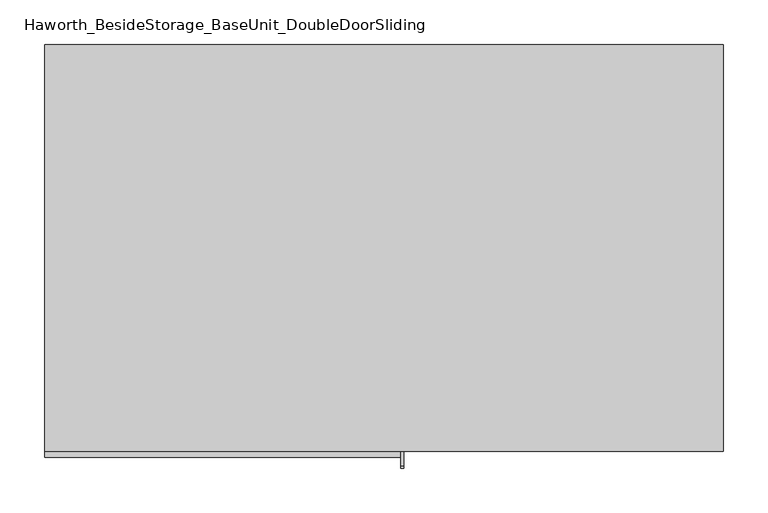
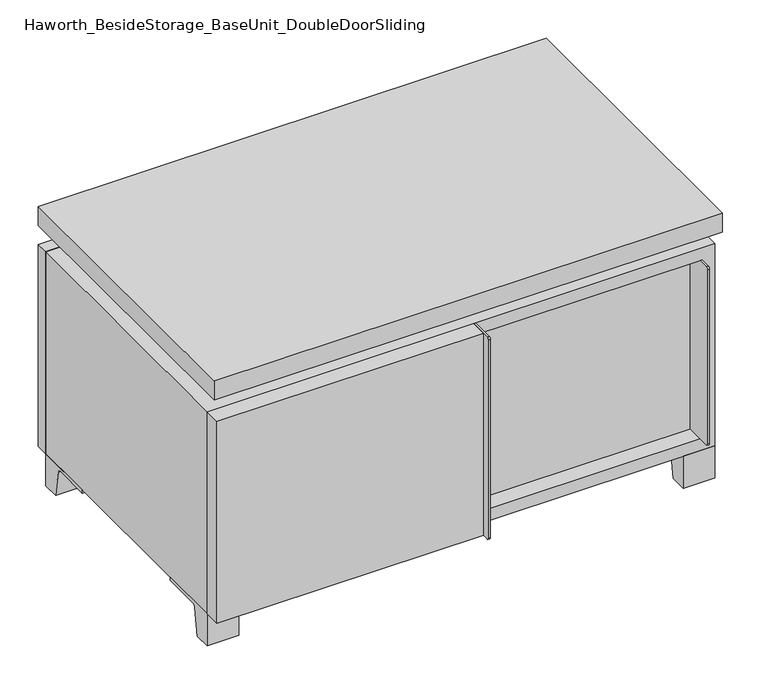
"""IFC4 building model written with IfcOpenShell, lengths in millimetres: furniture geometry, Haworth_BesideStorage_BaseUnit_DoubleDoorSliding."""

from ifc_helpers import new_model, si_unit, point, frame, frame_2d, origin, place, context, project, spatial, polyline, circle_curve, trimmed, segment, composite_curve, outline, extrude, faceted_brep, source, transform, mapped, element, save


def haworth_besidestorage_baseunit_doubledoorsliding_bcb24d63(model_context):
    return source(origin(), model_context, "Body", "SolidModel", [
        extrude(outline(polyline([(9.5319453, 241.3), (361.9569453, 241.3), (361.9569453, -92.075), (9.5319453, -92.075), (9.5319453, 241.3)])), frame((0.0, 0.0, 201.6125), z_axis=(0.0, 0.0, 1.0), x_axis=(1.0, 0.0, 0.0)), (0.0, 0.0, 1.0), 19.05),
        extrude(outline(polyline([(-9.5041641, 241.3), (-9.5041641, -92.075), (-361.9291641, -92.075), (-361.9291641, 241.3), (-9.5041641, 241.3)])), frame((0.0, 0.0, 201.6125), z_axis=(0.0, 0.0, 1.0), x_axis=(1.0, 0.0, 0.0)), (0.0, 0.0, 1.0), 19.05),
        extrude(outline(composite_curve([segment(polyline([(-95.25, 352.425), (-95.25, 69.85), (-161.925, 69.85)]), True, "CONTINUOUS"), segment(trimmed(circle_curve(frame_2d((-161.925, 73.025)), 3.175), [point((-161.925, 69.85))], [point((-165.1, 73.025))], False, "CARTESIAN"), True, "CONTINUOUS"), segment(polyline([(-165.1, 73.025), (-165.1, 349.25)]), True, "CONTINUOUS"), segment(trimmed(circle_curve(frame_2d((-161.925, 349.25)), 3.175), [point((-165.1, 349.25))], [point((-161.925, 352.425))], False, "CARTESIAN"), True, "CONTINUOUS"), segment(polyline([(-161.925, 352.425), (-95.25, 352.425)]), True, "CONTINUOUS")], self_intersect=False)), frame((358.7819453, 0.0, 0.0), z_axis=(1.0, 0.0, 0.0), x_axis=(0.0, 1.0, 0.0)), (0.0, 0.0, 1.0), 3.175),
        extrude(outline(polyline([(15.8819453, -95.25), (358.7819453, -95.25), (358.7819453, -120.65), (15.8819453, -120.65), (15.8819453, -95.25)])), frame((0.0, 0.0, 69.85), z_axis=(0.0, 0.0, 1.0), x_axis=(1.0, 0.0, 0.0)), (0.0, 0.0, 1.0), 282.575),
        extrude(outline(polyline([(381.0138906, 292.1), (381.0138906, -165.1), (-380.9861094, -165.1), (-380.9861094, 292.1), (381.0138906, 292.1)])), frame((0.0, 0.0, 401.6375), z_axis=(0.0, 0.0, 1.0), x_axis=(1.0, 0.0, 0.0)), (0.0, 0.0, 1.0), 30.1625),
        extrude(outline(composite_curve([segment(polyline([(-146.05, 371.475), (-146.05, 50.8), (-180.975, 50.8)]), True, "CONTINUOUS"), segment(trimmed(circle_curve(frame_2d((-180.975, 53.975)), 3.175), [point((-180.975, 50.8))], [point((-184.15, 53.975))], False, "CARTESIAN"), True, "CONTINUOUS"), segment(polyline([(-184.15, 53.975), (-184.15, 368.3)]), True, "CONTINUOUS"), segment(trimmed(circle_curve(frame_2d((-180.975, 368.3)), 3.175), [point((-184.15, 368.3))], [point((-180.975, 371.475))], False, "CARTESIAN"), True, "CONTINUOUS"), segment(polyline([(-180.975, 371.475), (-146.05, 371.475)]), True, "CONTINUOUS")], self_intersect=False)), frame((19.0638906, 0.0, 0.0), z_axis=(1.0, 0.0, 0.0), x_axis=(0.0, 1.0, 0.0)), (0.0, 0.0, 1.0), 3.175),
        extrude(outline(polyline([(-380.9861094, -146.05), (19.0638906, -146.05), (19.0638906, -171.45), (-380.9861094, -171.45), (-380.9861094, -146.05)])), frame((0.0, 0.0, 50.8), z_axis=(0.0, 0.0, 1.0), x_axis=(1.0, 0.0, 0.0)), (0.0, 0.0, 1.0), 320.675),
        extrude(outline(composite_curve([segment(polyline([(-120.6500136, 0.0), (-146.05, 0.0), (-146.05, 50.8), (-50.8, 50.8), (-50.8, 46.0213321), (-107.6005345, 46.0213321)]), True, "CONTINUOUS"), segment(trimmed(circle_curve(frame_2d((-107.6005345, 39.6713321)), 6.35), [point((-107.6005345, 46.0213321))], [point((-113.8641359, 40.7152656))], True, "CARTESIAN"), True, "CONTINUOUS"), segment(polyline([(-113.8641359, 40.7152656), (-120.6500136, 0.0)]), True, "CONTINUOUS")], self_intersect=False)), frame((333.3888906, 0.0, 0.0), z_axis=(1.0, 0.0, 0.0), x_axis=(0.0, 1.0, 0.0)), (0.0, 0.0, 1.0), 47.625),
        extrude(outline(composite_curve([segment(polyline([(247.6500136, 0.0), (240.8641359, 40.7152656)]), True, "CONTINUOUS"), segment(trimmed(circle_curve(frame_2d((234.6005345, 39.6713321)), 6.35), [point((240.8641359, 40.7152656))], [point((234.6005345, 46.0213321))], True, "CARTESIAN"), True, "CONTINUOUS"), segment(polyline([(234.6005345, 46.0213321), (177.8, 46.0213321), (177.8, 50.8), (273.05, 50.8), (273.05, 0.0), (247.6500136, 0.0)]), True, "CONTINUOUS")], self_intersect=False)), frame((333.3888906, 0.0, 0.0), z_axis=(1.0, 0.0, 0.0), x_axis=(0.0, 1.0, 0.0)), (0.0, 0.0, 1.0), 47.625),
        extrude(outline(composite_curve([segment(polyline([(-120.6500136, 0.0), (-146.05, 0.0), (-146.05, 50.8), (-50.8, 50.8), (-50.8, 46.0213321), (-107.6005345, 46.0213321)]), True, "CONTINUOUS"), segment(trimmed(circle_curve(frame_2d((-107.6005345, 39.6713321)), 6.35), [point((-107.6005345, 46.0213321))], [point((-113.8641359, 40.7152656))], True, "CARTESIAN"), True, "CONTINUOUS"), segment(polyline([(-113.8641359, 40.7152656), (-120.6500136, 0.0)]), True, "CONTINUOUS")], self_intersect=False)), frame((-380.9861094, 0.0, 0.0), z_axis=(1.0, 0.0, 0.0), x_axis=(0.0, 1.0, 0.0)), (0.0, 0.0, 1.0), 47.625),
        extrude(outline(composite_curve([segment(polyline([(247.6500136, 0.0), (240.8641359, 40.7152656)]), True, "CONTINUOUS"), segment(trimmed(circle_curve(frame_2d((234.6005345, 39.6713321)), 6.35), [point((240.8641359, 40.7152656))], [point((234.6005345, 46.0213321))], True, "CARTESIAN"), True, "CONTINUOUS"), segment(polyline([(234.6005345, 46.0213321), (177.8, 46.0213321), (177.8, 50.8), (273.05, 50.8), (273.05, 0.0), (247.6500136, 0.0)]), True, "CONTINUOUS")], self_intersect=False)), frame((-380.9861094, 0.0, 0.0), z_axis=(1.0, 0.0, 0.0), x_axis=(0.0, 1.0, 0.0)), (0.0, 0.0, 1.0), 47.625),
        faceted_brep([(7.9513906, -120.65, 401.6375), (7.9513906, -120.65, 371.475), (7.9513906, 53.975, 371.475), (7.9513906, 53.975, 401.6375), (7.9513906, 247.65, 371.475), (7.9513906, 247.65, 401.6375), (7.9513906, 73.025, 401.6375), (7.9513906, 73.025, 371.475), (-7.9236094, 247.65, 401.6375), (-7.9236094, 247.65, 371.475), (-7.9236094, 73.025, 371.475), (-7.9236094, 73.025, 401.6375), (-7.9236094, -120.65, 371.475), (-7.9236094, -120.65, 401.6375), (-7.9236094, 53.975, 401.6375), (-7.9236094, 53.975, 371.475), (-339.6833281, 73.025, 401.6375), (-339.7041641, 247.65, 401.6375), (-355.5791641, 247.65, 401.6375), (-355.5791641, -120.65, 401.6375), (-339.7041641, -120.65, 401.6375), (-339.7041641, 53.975, 401.6375), (339.7111094, 53.975, 401.6375), (339.7111094, -120.65, 401.6375), (355.5861094, -120.65, 401.6375), (355.5861094, 247.65, 401.6375), (339.7111094, 247.65, 401.6375), (339.7111094, 73.025, 401.6375), (-339.6833281, 53.975, 371.475), (-339.7041641, -120.65, 371.475), (-355.5791641, -120.65, 371.475), (-355.5791641, 247.65, 371.475), (-339.7041641, 247.65, 371.475), (-339.7041641, 73.025, 371.475), (339.7111094, 73.025, 371.475), (339.7111094, 247.65, 371.475), (355.5861094, 247.65, 371.475), (355.5861094, -120.65, 371.475), (339.7111094, -120.65, 371.475), (339.7111094, 53.975, 371.475)], [[[0, 1, 2, 3]], [[4, 5, 6, 7]], [[8, 9, 10, 11]], [[12, 13, 14, 15]], [[5, 8, 11, 16, 17, 18, 19, 20, 21, 14, 13, 0, 3, 22, 23, 24, 25, 26, 27, 6]], [[1, 12, 15, 28, 29, 30, 31, 32, 33, 10, 9, 4, 7, 34, 35, 36, 37, 38, 39, 2]], [[5, 4, 9, 8]], [[1, 0, 13, 12]], [[6, 27, 34, 7]], [[22, 3, 2, 39]], [[20, 29, 28, 21]], [[32, 17, 16, 33]], [[18, 31, 30, 19]], [[29, 20, 19, 30]], [[17, 32, 31, 18]], [[26, 35, 34, 27]], [[38, 23, 22, 39]], [[25, 24, 37, 36]], [[23, 38, 37, 24]], [[35, 26, 25, 36]], [[16, 11, 10, 33]], [[14, 21, 28, 15]]]),
        extrude(outline(polyline([(9.5388906, 241.3), (9.5388906, -95.25), (-9.5111094, -95.25), (-9.5111094, 241.3), (9.5388906, 241.3)])), frame((0.0, 0.0, 69.85), z_axis=(0.0, 0.0, 1.0), x_axis=(1.0, 0.0, 0.0)), (0.0, 0.0, 1.0), 282.575),
        extrude(outline(polyline([(15.8888906, -88.9), (15.8888906, -146.05), (-9.5111094, -146.05), (-9.5111094, -120.65), (3.1888906, -120.65), (3.1888906, -88.9), (15.8888906, -88.9)])), frame((0.0, 0.0, 69.85), z_axis=(0.0, 0.0, 1.0), x_axis=(1.0, 0.0, 0.0)), (0.0, 0.0, 1.0), 282.575),
        extrude(outline(polyline([(381.0138906, 273.05), (-380.9861094, 273.05), (-380.9861094, 292.1), (381.0138906, 292.1), (381.0138906, 273.05)])), frame((0.0, 0.0, 50.8), z_axis=(0.0, 0.0, 1.0), x_axis=(1.0, 0.0, 0.0)), (0.0, 0.0, 1.0), 320.675),
        extrude(outline(polyline([(50.8, -380.9861094), (50.8, 381.0), (371.475, 381.0), (371.475, -380.9861094), (50.8, -380.9861094)]), holes=[polyline([(69.85, -361.9361094), (352.425, -361.9361094), (352.425, 361.9361094), (69.85, 361.9361094), (69.85, -361.9361094)])]), frame((0.0, -146.05, 0.0), z_axis=(0.0, 1.0, 0.0), x_axis=(0.0, 0.0, 1.0)), (0.0, 0.0, 1.0), 419.1),
        extrude(outline(polyline([(-361.9291641, 241.3), (-361.9291641, 247.65), (361.9569453, 247.65), (361.9569453, 241.3), (-361.9291641, 241.3)])), frame((0.0, 0.0, 69.85), z_axis=(0.0, 0.0, 1.0), x_axis=(1.0, 0.0, 0.0)), (0.0, 0.0, 1.0), 282.575),
    ])


if __name__ == "__main__":
    model = new_model("IFC4")
    model_context = context("Model", 3, world=origin())
    ifc_project = project(units=[si_unit("LENGTHUNIT", "METRE", prefix="MILLI")], contexts=[model_context])
    site = spatial("IfcSite", under=ifc_project)
    building = spatial("IfcBuilding", under=site)
    placement = place(None, origin())
    haworth_besidestorage_baseunit_doubledoorsliding_shape = haworth_besidestorage_baseunit_doubledoorsliding_bcb24d63(model_context)
    element("IfcFurniture", 1, ObjectType="Haworth_BesideStorage_BaseUnit_DoubleDoorSliding", at=placement, inside=building, context=model_context, shape_type="MappedRepresentation", body=[
        mapped(haworth_besidestorage_baseunit_doubledoorsliding_shape, transform((0.0, 0.0, 0.0), x_axis=(1.0, 0.0, 0.0), y_axis=(0.0, 1.0, 0.0), z_axis=(0.0, 0.0, 1.0))),
    ])
    save(model, "model.ifc")
